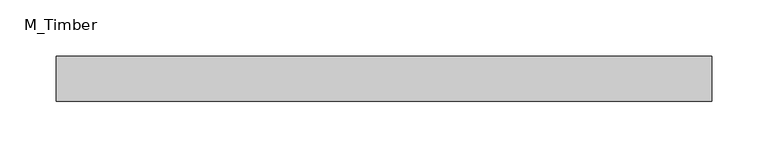
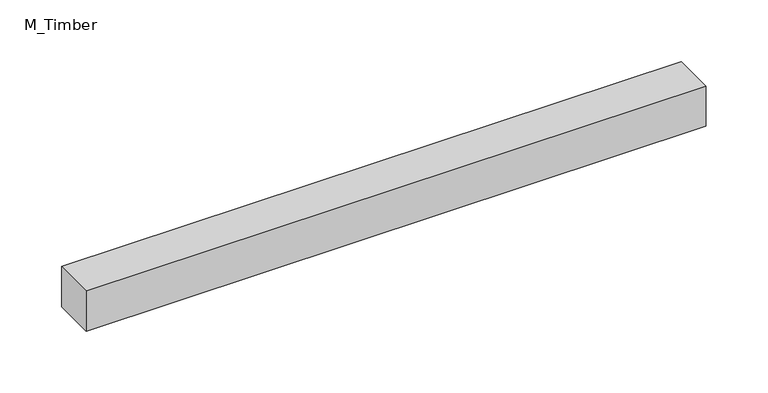
"""IFC4 building model written with IfcOpenShell, lengths in millimetres: beam geometry, M_Timber."""

from ifc_helpers import new_model, si_unit, frame, origin, place, context, project, spatial, polyline, outline, extrude, source, transform, mapped, element, save


def m_timber_78f0a6b3(model_context):
    return source(origin(), model_context, "Body", "SweptSolid", [
        extrude(outline(polyline([(290.9488941, 20.0), (290.9488941, -20.0), (-290.9488941, -20.0), (-290.9488941, 20.0), (290.9488941, 20.0)])), frame((0.0, 0.0, -20.0), z_axis=(0.0, 0.0, 1.0), x_axis=(1.0, 0.0, 0.0)), (0.0, 0.0, 1.0), 40.0),
    ])


if __name__ == "__main__":
    model = new_model("IFC4")
    model_context = context("Model", 3, world=origin())
    ifc_project = project(units=[si_unit("LENGTHUNIT", "METRE", prefix="MILLI")], contexts=[model_context])
    site = spatial("IfcSite", under=ifc_project)
    building = spatial("IfcBuilding", under=site)
    placement = place(None, origin())
    m_timber_shape = m_timber_78f0a6b3(model_context)
    element("IfcBeam", 1, ObjectType="M_Timber", at=placement, inside=building, context=model_context, shape_type="MappedRepresentation", body=[
        mapped(m_timber_shape, transform((0.0, 0.0, 0.0), x_axis=(1.0, 0.0, 0.0), y_axis=(0.0, 1.0, 0.0), z_axis=(0.0, 0.0, 1.0))),
    ])
    save(model, "model.ifc")
